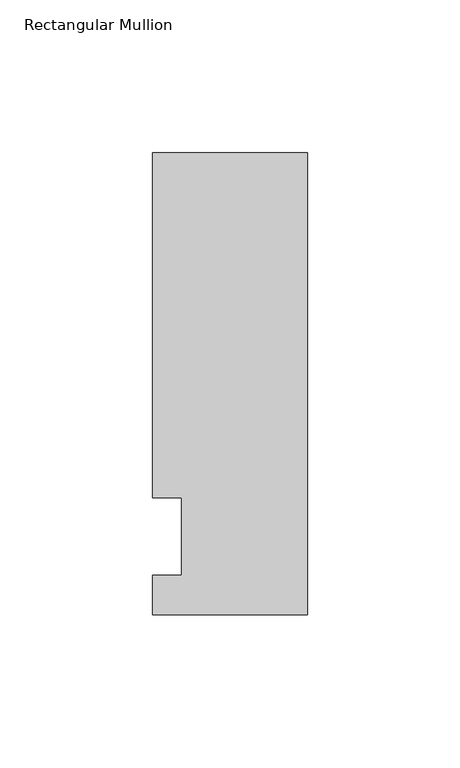
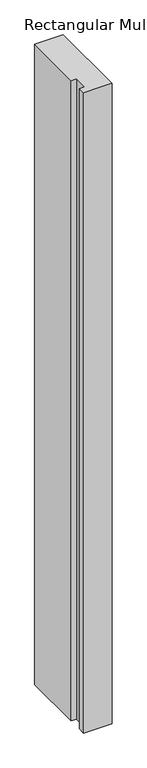
"""IFC4 building model written with IfcOpenShell, lengths in millimetres: member geometry, Rectangular Mullion."""

import ifcopenshell
import ifcopenshell.guid

model = None  # the IFC model being written
_history = None  # IfcOwnerHistory: only IFC2X3 demands one
_inside = {}  # id of a spatial element -> (the spatial element, [elements in it])
_under = {}  # id of a project, library or spatial element -> (it, [spatial elements below it])
_declared = {}  # id of a project -> (the project, [libraries it declares])
_typed = {}  # id of a type object -> (the type object, [elements of that type])
_made_of = {}  # id of a material, layer set ... -> (it, [elements and type objects made of it])


def new_model(schema):
    """Start an empty IFC model of exactly this schema.

    Asked for "IFC4X3", IfcOpenShell would pick the latest addendum, in which some entities
    have other attributes; the version numbers below select the first issue.
    IFC2X3 requires an IfcOwnerHistory on every rooted entity: one is made here for all.
    """
    global model, _history
    if schema == "IFC4X3":
        model = ifcopenshell.file(schema_version=(4, 3, 0, 0))
    else:
        model = ifcopenshell.file(schema=schema)
    _inside.clear()
    _under.clear()
    _declared.clear()
    _typed.clear()
    _made_of.clear()
    _history = None
    if model.schema == "IFC2X3":
        org = make("IfcOrganization", Name="unknown")
        user = make(
            "IfcPersonAndOrganization",
            ThePerson=make("IfcPerson", FamilyName="unknown"),
            TheOrganization=org,
        )
        app = make(
            "IfcApplication",
            ApplicationDeveloper=org,
            Version="unknown",
            ApplicationFullName="unknown",
            ApplicationIdentifier="unknown",
        )
        _history = make(
            "IfcOwnerHistory",
            OwningUser=user,
            OwningApplication=app,
            ChangeAction="ADDED",
            CreationDate=0,
        )
    return model


def make(cls, **values):
    """One entity of the class cls with the attributes given. An attribute that is None is left unset."""
    return model.create_entity(
        cls, **{name: value for name, value in values.items() if value is not None}
    )


def rooted(cls, **values):
    """An entity with a GlobalId (a new one), such as an element, a storey or a relation."""
    return make(cls, GlobalId=ifcopenshell.guid.new(), OwnerHistory=_history, **values)


def si_unit(unit_type, name, prefix=None):
    """IfcSIUnit, for example si_unit("LENGTHUNIT", "METRE", prefix="MILLI")."""
    return make("IfcSIUnit", UnitType=unit_type, Prefix=prefix, Name=name)


def assignment(units):
    """IfcUnitAssignment: the units of a project."""
    return None if units is None else make("IfcUnitAssignment", Units=units)


def point(xyz):
    """IfcCartesianPoint."""
    return None if xyz is None else make("IfcCartesianPoint", Coordinates=xyz)


def direction(xyz):
    """IfcDirection."""
    return None if xyz is None else make("IfcDirection", DirectionRatios=xyz)


def frame(location, z_axis=None, x_axis=None):
    """IfcAxis2Placement3D, a coordinate frame: its origin and axes. An axis left out is left unset."""
    return make(
        "IfcAxis2Placement3D",
        Location=point(location),
        Axis=direction(z_axis),
        RefDirection=direction(x_axis),
    )


def origin():
    """The frame at (0, 0, 0) with its axes left unset."""
    return frame((0.0, 0.0, 0.0))


def place(relative_to, where):
    """IfcLocalPlacement: puts the frame where relative to a parent placement (None: the world)."""
    return make(
        "IfcLocalPlacement", PlacementRelTo=relative_to, RelativePlacement=where
    )


def context(
    kind, dimensions, precision=None, world=None, true_north=None, identifier=None
):
    """IfcGeometricRepresentationContext, for example the 3D "Model" context."""
    return make(
        "IfcGeometricRepresentationContext",
        ContextIdentifier=identifier,
        ContextType=kind,
        CoordinateSpaceDimension=dimensions,
        Precision=precision,
        WorldCoordinateSystem=world,
        TrueNorth=true_north,
    )


def project(units=None, contexts=None):
    """IfcProject with its units and contexts."""
    return rooted(
        "IfcProject",
        Name="project",
        RepresentationContexts=contexts,
        UnitsInContext=assignment(units),
    )


def spatial(cls, under=None, at=None, **own):
    """A site, building, storey or space (cls), placed at a placement, below another one or the project."""
    s = rooted(cls, ObjectPlacement=at, **own)
    if under is not None:
        _under.setdefault(under.id(), (under, []))[1].append(s)
    return s


def polyline(points):
    """IfcPolyline through the points."""
    return make("IfcPolyline", Points=[point(p) for p in points])


def outline(outer, holes=None, kind="AREA"):
    """IfcArbitraryClosedProfileDef: a profile drawn as a closed curve; with holes, ...WithVoids."""
    if holes is None:
        return make("IfcArbitraryClosedProfileDef", ProfileType=kind, OuterCurve=outer)
    return make(
        "IfcArbitraryProfileDefWithVoids",
        ProfileType=kind,
        OuterCurve=outer,
        InnerCurves=holes,
    )


def extrude(swept, where, along, depth):
    """IfcExtrudedAreaSolid: the profile swept, set in the frame where, extruded along a direction by depth."""
    return make(
        "IfcExtrudedAreaSolid",
        SweptArea=swept,
        Position=where,
        ExtrudedDirection=direction(along),
        Depth=depth,
    )


def shape(context_of_items, identifier, shape_type, items):
    """IfcShapeRepresentation: the items that make up one representation, for example the "Body"."""
    return make(
        "IfcShapeRepresentation",
        ContextOfItems=context_of_items,
        RepresentationIdentifier=identifier,
        RepresentationType=shape_type,
        Items=items,
    )


def source(mapping_origin, context_of_items, identifier, shape_type, items):
    """IfcRepresentationMap: a shape defined once, which mapped items show again and again."""
    return make(
        "IfcRepresentationMap",
        MappingOrigin=mapping_origin,
        MappedRepresentation=shape(context_of_items, identifier, shape_type, items),
    )


def transform(
    local_origin,
    x_axis=None,
    y_axis=None,
    z_axis=None,
    scale=None,
    scale2=None,
    scale3=None,
    uniform=True,
):
    """IfcCartesianTransformationOperator3D, or its non-uniform kind. x_axis, y_axis, z_axis: its Axis1, 2, 3."""
    if uniform:
        return make(
            "IfcCartesianTransformationOperator3D",
            Axis1=direction(x_axis),
            Axis2=direction(y_axis),
            LocalOrigin=point(local_origin),
            Scale=scale,
            Axis3=direction(z_axis),
        )
    return make(
        "IfcCartesianTransformationOperator3DnonUniform",
        Axis1=direction(x_axis),
        Axis2=direction(y_axis),
        LocalOrigin=point(local_origin),
        Scale=scale,
        Axis3=direction(z_axis),
        Scale2=scale2,
        Scale3=scale3,
    )


def mapped(mapping_source, mapping_target):
    """IfcMappedItem: shows the shape of a source again, moved by a transform."""
    return make(
        "IfcMappedItem", MappingSource=mapping_source, MappingTarget=mapping_target
    )


def made_of(thing, what):
    """Note that an element or type object is made of a material, layer set ...; save() writes the relation."""
    if what is not None:
        _made_of.setdefault(what.id(), (what, []))[1].append(thing)
    return thing


def element(
    cls,
    number,
    at=None,
    inside=None,
    cuts=None,
    type_object=None,
    material=None,
    context=None,
    identifier="Body",
    shape_type=None,
    held_by="IfcProductDefinitionShape",
    body=None,
    shapes=None,
    **own,
):
    """One element of the class cls, such as IfcWall. Its Tag is "e" and its number.

    at: its placement. inside: the storey or other place that contains it. cuts: it is an
    opening in that element (IfcRelVoidsElement). A single representation is given by context,
    identifier, shape_type and body (its items); several are given by shapes. held_by: the class
    of the entity that holds the representations. save() writes the other relations.
    """
    e = rooted(cls, Tag="e%d" % number, ObjectPlacement=at, **own)
    if body is not None:
        shapes = [shape(context, identifier, shape_type, body)]
    if shapes is not None:
        e.Representation = make(held_by, Representations=shapes)
    if inside is not None:
        _inside.setdefault(inside.id(), (inside, []))[1].append(e)
    if cuts is not None:
        rooted(
            "IfcRelVoidsElement", RelatingBuildingElement=cuts, RelatedOpeningElement=e
        )
    if type_object is not None:
        _typed.setdefault(type_object.id(), (type_object, []))[1].append(e)
    return made_of(e, material)


def aggregate(whole, parts):
    """IfcRelAggregates: a whole, such as a stair, and the parts it consists of."""
    return rooted("IfcRelAggregates", RelatingObject=whole, RelatedObjects=parts)


def save(model, path):
    """Write the relations noted so far, then the file.

    IfcRelAggregates (storeys below a building ...), IfcRelContainedInSpatialStructure (elements
    in a storey), IfcRelDefinesByType, IfcRelAssociatesMaterial and IfcRelDeclares: one each for
    every whole, place, type object, material and project.
    """
    for whole, parts in _under.values():
        aggregate(whole, parts)
    for where, things in _inside.values():
        rooted(
            "IfcRelContainedInSpatialStructure",
            RelatedElements=things,
            RelatingStructure=where,
        )
    for kind, things in _typed.values():
        rooted("IfcRelDefinesByType", RelatedObjects=things, RelatingType=kind)
    for what, things in _made_of.values():
        rooted("IfcRelAssociatesMaterial", RelatedObjects=things, RelatingMaterial=what)
    for by, libraries in _declared.values():
        rooted("IfcRelDeclares", RelatingContext=by, RelatedDefinitions=libraries)
    model.write(path)


def rectangular_mullion_e0c908d7(model_context):
    return source(origin(), model_context, "Body", "SweptSolid", [
        extrude(outline(polyline([(-50.8, -25.5827379), (-50.8, -12.7), (-41.275, -12.7), (-41.275, 12.7), (-50.8, 12.7), (-50.8, 125.8533), (0.0, 125.8533), (0.0, -25.5827379), (-50.8, -25.5827379)])), frame((0.0, 0.0, -1210.7333333), z_axis=(0.0, 0.0, 1.0), x_axis=(1.0, 0.0, 0.0)), (0.0, 0.0, 1.0), 1210.7333333),
    ])


if __name__ == "__main__":
    model = new_model("IFC4")
    model_context = context("Model", 3, world=origin())
    ifc_project = project(units=[si_unit("LENGTHUNIT", "METRE", prefix="MILLI")], contexts=[model_context])
    site = spatial("IfcSite", under=ifc_project)
    building = spatial("IfcBuilding", under=site)
    placement = place(None, origin())
    rectangular_mullion_shape = rectangular_mullion_e0c908d7(model_context)
    element("IfcMember", 1, ObjectType="Rectangular Mullion", at=placement, inside=building, context=model_context, shape_type="MappedRepresentation", body=[
        mapped(rectangular_mullion_shape, transform((0.0, 0.0, 0.0), x_axis=(1.0, 0.0, 0.0), y_axis=(0.0, 1.0, 0.0), z_axis=(0.0, 0.0, 1.0))),
    ])
    save(model, "model.ifc")
